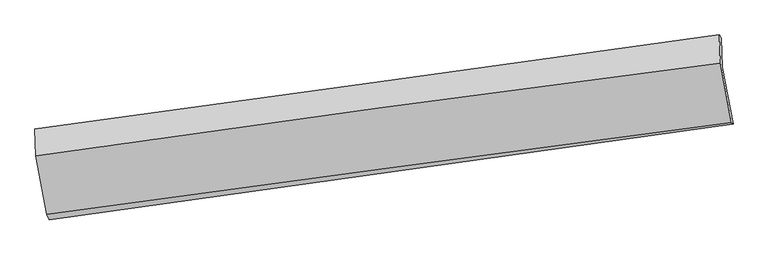
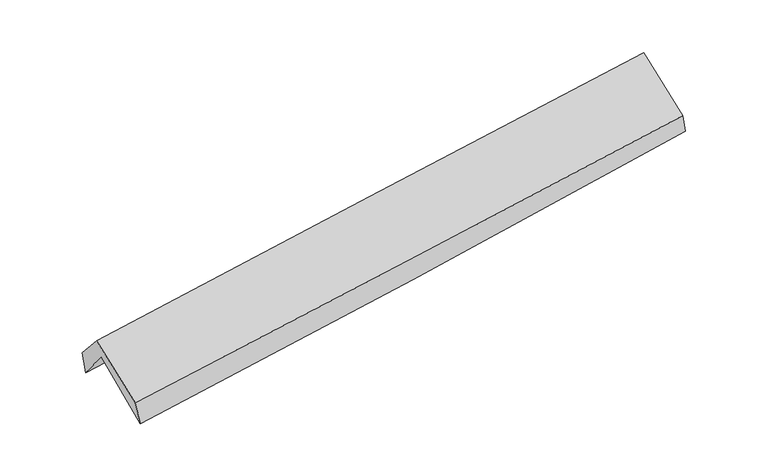
"""IFC4 building model written with IfcOpenShell, lengths in millimetres: proxy geometry."""

import ifcopenshell
import ifcopenshell.guid

model = None  # the IFC model being written
_history = None  # IfcOwnerHistory: only IFC2X3 demands one
_inside = {}  # id of a spatial element -> (the spatial element, [elements in it])
_under = {}  # id of a project, library or spatial element -> (it, [spatial elements below it])
_declared = {}  # id of a project -> (the project, [libraries it declares])
_typed = {}  # id of a type object -> (the type object, [elements of that type])
_made_of = {}  # id of a material, layer set ... -> (it, [elements and type objects made of it])


def new_model(schema):
    """Start an empty IFC model of exactly this schema.

    Asked for "IFC4X3", IfcOpenShell would pick the latest addendum, in which some entities
    have other attributes; the version numbers below select the first issue.
    IFC2X3 requires an IfcOwnerHistory on every rooted entity: one is made here for all.
    """
    global model, _history
    if schema == "IFC4X3":
        model = ifcopenshell.file(schema_version=(4, 3, 0, 0))
    else:
        model = ifcopenshell.file(schema=schema)
    _inside.clear()
    _under.clear()
    _declared.clear()
    _typed.clear()
    _made_of.clear()
    _history = None
    if model.schema == "IFC2X3":
        org = make("IfcOrganization", Name="unknown")
        user = make(
            "IfcPersonAndOrganization",
            ThePerson=make("IfcPerson", FamilyName="unknown"),
            TheOrganization=org,
        )
        app = make(
            "IfcApplication",
            ApplicationDeveloper=org,
            Version="unknown",
            ApplicationFullName="unknown",
            ApplicationIdentifier="unknown",
        )
        _history = make(
            "IfcOwnerHistory",
            OwningUser=user,
            OwningApplication=app,
            ChangeAction="ADDED",
            CreationDate=0,
        )
    return model


def make(cls, **values):
    """One entity of the class cls with the attributes given. An attribute that is None is left unset."""
    return model.create_entity(
        cls, **{name: value for name, value in values.items() if value is not None}
    )


def rooted(cls, **values):
    """An entity with a GlobalId (a new one), such as an element, a storey or a relation."""
    return make(cls, GlobalId=ifcopenshell.guid.new(), OwnerHistory=_history, **values)


def si_unit(unit_type, name, prefix=None):
    """IfcSIUnit, for example si_unit("LENGTHUNIT", "METRE", prefix="MILLI")."""
    return make("IfcSIUnit", UnitType=unit_type, Prefix=prefix, Name=name)


def assignment(units):
    """IfcUnitAssignment: the units of a project."""
    return None if units is None else make("IfcUnitAssignment", Units=units)


def point(xyz):
    """IfcCartesianPoint."""
    return None if xyz is None else make("IfcCartesianPoint", Coordinates=xyz)


def direction(xyz):
    """IfcDirection."""
    return None if xyz is None else make("IfcDirection", DirectionRatios=xyz)


def frame(location, z_axis=None, x_axis=None):
    """IfcAxis2Placement3D, a coordinate frame: its origin and axes. An axis left out is left unset."""
    return make(
        "IfcAxis2Placement3D",
        Location=point(location),
        Axis=direction(z_axis),
        RefDirection=direction(x_axis),
    )


def origin():
    """The frame at (0, 0, 0) with its axes left unset."""
    return frame((0.0, 0.0, 0.0))


def place(relative_to, where):
    """IfcLocalPlacement: puts the frame where relative to a parent placement (None: the world)."""
    return make(
        "IfcLocalPlacement", PlacementRelTo=relative_to, RelativePlacement=where
    )


def context(
    kind, dimensions, precision=None, world=None, true_north=None, identifier=None
):
    """IfcGeometricRepresentationContext, for example the 3D "Model" context."""
    return make(
        "IfcGeometricRepresentationContext",
        ContextIdentifier=identifier,
        ContextType=kind,
        CoordinateSpaceDimension=dimensions,
        Precision=precision,
        WorldCoordinateSystem=world,
        TrueNorth=true_north,
    )


def project(units=None, contexts=None):
    """IfcProject with its units and contexts."""
    return rooted(
        "IfcProject",
        Name="project",
        RepresentationContexts=contexts,
        UnitsInContext=assignment(units),
    )


def spatial(cls, under=None, at=None, **own):
    """A site, building, storey or space (cls), placed at a placement, below another one or the project."""
    s = rooted(cls, ObjectPlacement=at, **own)
    if under is not None:
        _under.setdefault(under.id(), (under, []))[1].append(s)
    return s


def shape(context_of_items, identifier, shape_type, items):
    """IfcShapeRepresentation: the items that make up one representation, for example the "Body"."""
    return make(
        "IfcShapeRepresentation",
        ContextOfItems=context_of_items,
        RepresentationIdentifier=identifier,
        RepresentationType=shape_type,
        Items=items,
    )


def source(mapping_origin, context_of_items, identifier, shape_type, items):
    """IfcRepresentationMap: a shape defined once, which mapped items show again and again."""
    return make(
        "IfcRepresentationMap",
        MappingOrigin=mapping_origin,
        MappedRepresentation=shape(context_of_items, identifier, shape_type, items),
    )


def transform(
    local_origin,
    x_axis=None,
    y_axis=None,
    z_axis=None,
    scale=None,
    scale2=None,
    scale3=None,
    uniform=True,
):
    """IfcCartesianTransformationOperator3D, or its non-uniform kind. x_axis, y_axis, z_axis: its Axis1, 2, 3."""
    if uniform:
        return make(
            "IfcCartesianTransformationOperator3D",
            Axis1=direction(x_axis),
            Axis2=direction(y_axis),
            LocalOrigin=point(local_origin),
            Scale=scale,
            Axis3=direction(z_axis),
        )
    return make(
        "IfcCartesianTransformationOperator3DnonUniform",
        Axis1=direction(x_axis),
        Axis2=direction(y_axis),
        LocalOrigin=point(local_origin),
        Scale=scale,
        Axis3=direction(z_axis),
        Scale2=scale2,
        Scale3=scale3,
    )


def mapped(mapping_source, mapping_target):
    """IfcMappedItem: shows the shape of a source again, moved by a transform."""
    return make(
        "IfcMappedItem", MappingSource=mapping_source, MappingTarget=mapping_target
    )


def made_of(thing, what):
    """Note that an element or type object is made of a material, layer set ...; save() writes the relation."""
    if what is not None:
        _made_of.setdefault(what.id(), (what, []))[1].append(thing)
    return thing


def element(
    cls,
    number,
    at=None,
    inside=None,
    cuts=None,
    type_object=None,
    material=None,
    context=None,
    identifier="Body",
    shape_type=None,
    held_by="IfcProductDefinitionShape",
    body=None,
    shapes=None,
    **own,
):
    """One element of the class cls, such as IfcWall. Its Tag is "e" and its number.

    at: its placement. inside: the storey or other place that contains it. cuts: it is an
    opening in that element (IfcRelVoidsElement). A single representation is given by context,
    identifier, shape_type and body (its items); several are given by shapes. held_by: the class
    of the entity that holds the representations. save() writes the other relations.
    """
    e = rooted(cls, Tag="e%d" % number, ObjectPlacement=at, **own)
    if body is not None:
        shapes = [shape(context, identifier, shape_type, body)]
    if shapes is not None:
        e.Representation = make(held_by, Representations=shapes)
    if inside is not None:
        _inside.setdefault(inside.id(), (inside, []))[1].append(e)
    if cuts is not None:
        rooted(
            "IfcRelVoidsElement", RelatingBuildingElement=cuts, RelatedOpeningElement=e
        )
    if type_object is not None:
        _typed.setdefault(type_object.id(), (type_object, []))[1].append(e)
    return made_of(e, material)


def aggregate(whole, parts):
    """IfcRelAggregates: a whole, such as a stair, and the parts it consists of."""
    return rooted("IfcRelAggregates", RelatingObject=whole, RelatedObjects=parts)


def save(model, path):
    """Write the relations noted so far, then the file.

    IfcRelAggregates (storeys below a building ...), IfcRelContainedInSpatialStructure (elements
    in a storey), IfcRelDefinesByType, IfcRelAssociatesMaterial and IfcRelDeclares: one each for
    every whole, place, type object, material and project.
    """
    for whole, parts in _under.values():
        aggregate(whole, parts)
    for where, things in _inside.values():
        rooted(
            "IfcRelContainedInSpatialStructure",
            RelatedElements=things,
            RelatingStructure=where,
        )
    for kind, things in _typed.values():
        rooted("IfcRelDefinesByType", RelatedObjects=things, RelatingType=kind)
    for what, things in _made_of.values():
        rooted("IfcRelAssociatesMaterial", RelatedObjects=things, RelatingMaterial=what)
    for by, libraries in _declared.values():
        rooted("IfcRelDeclares", RelatingContext=by, RelatedDefinitions=libraries)
    model.write(path)


def plane_surface(at):
    """IfcPlane: the flat surface through the origin of the frame at, square to its z axis."""
    return make("IfcPlane", Position=at)


def spline_curve(degree, points, multiplicities, knots, weights=None):
    """IfcBSplineCurveWithKnots; with weights, IfcRationalBSplineCurveWithKnots."""
    own = dict(
        Degree=degree,
        ControlPointsList=[point(p) for p in points],
        CurveForm="UNSPECIFIED",
        ClosedCurve=False,
        SelfIntersect=False,
        KnotMultiplicities=multiplicities,
        Knots=knots,
        KnotSpec="UNSPECIFIED",
    )
    if weights is None:
        return make("IfcBSplineCurveWithKnots", **own)
    return make("IfcRationalBSplineCurveWithKnots", WeightsData=weights, **own)


def spline_surface(u_degree, v_degree, points, u_multiplicities, v_multiplicities, u_knots, v_knots, weights=None):
    """IfcBSplineSurfaceWithKnots; with weights, IfcRationalBSplineSurfaceWithKnots. points: one row for each step in u."""
    own = dict(
        UDegree=u_degree,
        VDegree=v_degree,
        ControlPointsList=[[point(p) for p in row] for row in points],
        SurfaceForm="UNSPECIFIED",
        UClosed=False,
        VClosed=False,
        SelfIntersect=False,
        UMultiplicities=u_multiplicities,
        VMultiplicities=v_multiplicities,
        UKnots=u_knots,
        VKnots=v_knots,
        KnotSpec="UNSPECIFIED",
    )
    if weights is None:
        return make("IfcBSplineSurfaceWithKnots", **own)
    return make("IfcRationalBSplineSurfaceWithKnots", WeightsData=weights, **own)


def advanced_brep(points, edges, surfaces, faces):
    """IfcAdvancedBrep: a solid bounded by faces that lie on surfaces and meet in shared edges.

    An edge is (start, end): straight between two places in points (the first is 0);
    or (start, end, curve); or (start, end, curve, False) where it runs against its curve.
    A face is (place in surfaces, loops), or (place, loops, False) where it looks against
    its surface's normal. A loop lists edges by number (the first is 1), with a minus sign
    where the edge is run from its end to its start. The first loop is the outer one.
    """
    corners = [point(p) for p in points]
    vertices = [make("IfcVertexPoint", VertexGeometry=c) for c in corners]
    made = []
    for start, end, *more in edges:
        made.append(
            make(
                "IfcEdgeCurve",
                EdgeStart=vertices[start],
                EdgeEnd=vertices[end],
                EdgeGeometry=more[0] if more else make("IfcPolyline", Points=[corners[start], corners[end]]),
                SameSense=more[1] if len(more) > 1 else True,
            )
        )
    hull = []
    for where, loops, *sense in faces:
        bounds = []
        for j, loop in enumerate(loops):
            ring = [make("IfcOrientedEdge", EdgeElement=made[abs(k) - 1], Orientation=k > 0) for k in loop]
            bounds.append(
                make(
                    "IfcFaceOuterBound" if j == 0 else "IfcFaceBound",
                    Bound=make("IfcEdgeLoop", EdgeList=ring),
                    Orientation=True,
                )
            )
        hull.append(make("IfcAdvancedFace", Bounds=bounds, FaceSurface=surfaces[where], SameSense=sense[0] if sense else True))
    return make("IfcAdvancedBrep", Outer=make("IfcClosedShell", CfsFaces=hull))


def generic_models_57a70adb(model_context):
    return source(origin(), model_context, "Body", "AdvancedBrep", [
        advanced_brep(
        [(-2913.9110386, -2507.5975419, 1446.8197097), (-3012.9158578, -1997.8766252, 1887.9286264), (2955.3936123, -1171.8832452, 2377.3629776), (3051.0246852, -1673.2161547, 1966.0962998), (-3020.0785164, -1747.2877989, 1567.4252561), (2947.7354121, -920.7185329, 2062.3249059), (-3039.538809, -1713.3930516, 1763.45191), (2930.8056873, -891.7696591, 2233.7483869), (-3030.1660252, -1950.6184511, 2033.3079163), (2940.4965178, -1138.4965946, 2515.1554117), (-2935.8532495, -2459.3776916, 1651.3532023), (3036.6870145, -1657.3849812, 2125.5961672)],
        [
            (0, 1),
            (1, 2, spline_curve(3, [(-3012.9158578, -1997.8766252, 1887.9286264), (-2018.08489082, -1855.577900179, 1960.622050026), (-1023.318598711, -1715.596867874, 2037.754201499), (966.117895612, -1440.26558653, 2200.898688274), (1960.78809358, -1304.915491818, 2286.911320425), (2955.3936123, -1171.8832452, 2377.3629776)], [4, 2, 4], [0.0, 9.916710732165134, 19.8337530599837])),
            (2, 3),
            (3, 0, spline_curve(3, [(3051.0246852, -1673.2161547, 1966.0962998), (2058.106049099, -1810.442428267, 1860.723440244), (1064.560433057, -1948.58852521, 1764.763395071), (-923.751516557, -2226.715715849, 1591.671827604), (-1918.517808666, -2366.696748154, 1514.539676132), (-2913.9110386, -2507.5975419, 1446.8197097)], [4, 2, 4], [0.0, 9.917042327818566, 19.8337530599837])),
            (1, 4),
            (4, 5, spline_curve(3, [(-3020.0785164, -1747.2877989, 1567.4252561), (-2024.132163418, -1612.283475176, 1637.708270814), (-1028.849463224, -1475.901715932, 1714.090623892), (960.421890964, -1200.378719467, 1879.056766137), (1954.410499902, -1061.237389985, 1967.640962559), (2947.7354121, -920.7185329, 2062.3249059)], [4, 2, 4], [0.0, 9.916430432921839, 19.833192452124443])),
            (5, 2),
            (4, 6),
            (6, 7, spline_curve(3, [(-3039.538809, -1713.3930516, 1763.45191), (-2044.717277503, -1577.824546345, 1847.365754369), (-1049.786123445, -1441.572833531, 1928.513440678), (940.328701487, -1167.698415229, 2085.279118049), (1935.512379592, -1030.075663453, 2160.896923996), (2930.8056873, -891.7696591, 2233.7483869)], [4, 2, 4], [0.0, 9.916184139597396, 19.832699857239987])),
            (7, 5),
            (6, 8),
            (8, 9, spline_curve(3, [(-3030.1660252, -1950.6184511, 2033.3079163), (-2035.727217158, -1806.007921533, 2107.265752381), (-1040.960925413, -1666.026889485, 2184.397903807), (949.259900627, -1395.319294222, 2345.013523486), (1944.714456085, -1264.593040972, 2428.497203605), (2940.4965178, -1138.4965946, 2515.1554117)], [4, 2, 4], [0.0, 9.916034643628894, 19.832400860304126])),
            (9, 7),
            (8, 10),
            (10, 11, spline_curve(3, [(-2935.8532495, -2459.3776916, 1651.3532023), (-1939.916852507, -2322.845729857, 1719.245994575), (-944.245282224, -2187.748116694, 1792.711883723), (1046.601490103, -1920.417117264, 1950.792499188), (2041.776674396, -1788.183827105, 2035.407598448), (3036.6870145, -1657.3849812, 2125.5961672)], [4, 2, 4], [0.0, 9.916046609458064, 19.83242479236258])),
            (11, 9),
            (10, 0),
            (3, 11),
        ],
        [
            spline_surface(3, 3, [[(-2913.9110386, -2507.5975419, 1446.8197097), (-1918.517808637, -2366.696748006, 1514.539676143), (-923.75151669, -2226.715715815, 1591.671827717), (1064.56043319, -1948.588525244, 1764.763394958), (2058.106049139, -1810.442428354, 1860.72344008), (3051.0246852, -1673.2161547, 1966.0962998)], [(-2946.912644978, -2337.690569666, 1593.856015248), (-1951.70683596, -2196.323798742, 1663.233800701), (-956.940544013, -2056.342766552, 1740.365952275), (1031.746254024, -1779.147545621, 1910.141826061), (2025.666730663, -1641.933449533, 2002.786066858), (3019.147660894, -1506.105184874, 2103.185192372)], [(-2979.914251422, -2167.783597434, 1740.892320852), (-1984.895863348, -2025.950849482, 1811.927925316), (-990.129571401, -1885.969817291, 1889.06007689), (998.932074791, -1609.706566, 2055.520257221), (1993.227412206, -1473.424470689, 2144.84869372), (2987.270636606, -1338.994215026, 2240.274085028)], [(-3012.9158578, -1997.8766252, 1887.9286264), (-2018.084890671, -1855.577900218, 1960.622049874), (-1023.318598724, -1715.596868028, 2037.754201448), (966.117895625, -1440.265586376, 2200.898688324), (1960.788093731, -1304.915491868, 2286.911320498), (2955.3936123, -1171.8832452, 2377.3629776)]], [4, 4], [4, 2, 4], [0.0, 2.2352951051551146], [0.0, 9.916710732165134, 19.8337530599837]),
            spline_surface(3, 3, [[(-3012.9158578, -1997.8766252, 1887.9286264), (-2018.084890671, -1855.577900218, 1960.622049874), (-1023.318598724, -1715.596868028, 2037.754201448), (966.117895625, -1440.265586376, 2200.898688324), (1960.788093731, -1304.915491868, 2286.911320498), (2955.3936123, -1171.8832452, 2377.3629776)], [(-3015.303410689, -1914.347016447, 1781.094169652), (-2020.100648283, -1774.479758594, 1852.984123505), (-1025.162220173, -1635.698483993, 1929.866342324), (964.219227352, -1360.303297375, 2093.618047578), (1958.662229119, -1223.689457937, 2180.487867902), (2952.840878882, -1088.161674426, 2272.350287042)], [(-3017.690963511, -1830.817407653, 1674.259712848), (-2022.116405827, -1693.38161693, 1745.346197078), (-1027.00584162, -1555.80010001, 1821.978483134), (962.320559082, -1280.341008425, 1986.337406765), (1956.536364561, -1142.463424027, 2074.064415282), (2950.288145518, -1004.440103674, 2167.337596458)], [(-3020.0785164, -1747.2877989, 1567.4252561), (-2024.132163439, -1612.283475305, 1637.708270709), (-1028.849463069, -1475.901715975, 1714.09062401), (960.421890809, -1200.378719423, 1879.056766018), (1954.410499949, -1061.237390096, 1967.640962686), (2947.7354121, -920.7185329, 2062.3249059)]], [4, 4], [4, 2, 4], [0.0, 1.3192915993700474], [0.0, 9.916430432921839, 19.833192452124443]),
            spline_surface(3, 3, [[(-3020.0785164, -1747.2877989, 1567.4252561), (-2024.132163439, -1612.283475305, 1637.708270709), (-1028.849463069, -1475.901715975, 1714.09062401), (960.421890809, -1200.378719423, 1879.056766018), (1954.410499949, -1061.237390096, 1967.640962686), (2947.7354121, -920.7185329, 2062.3249059)], [(-3026.565280598, -1735.989549796, 1632.767474052), (-2030.993868075, -1600.797165603, 1707.594098586), (-1035.828349856, -1464.458755183, 1785.564896217), (953.72416099, -1189.485284658, 1947.797549991), (1948.111126488, -1050.850147922, 2032.059616463), (2942.092170521, -911.068908302, 2119.466066251)], [(-3033.052044802, -1724.691300704, 1698.109692048), (-2037.855572716, -1589.310855913, 1777.479926508), (-1042.807236583, -1453.015794409, 1857.039168503), (947.026431231, -1178.591849909, 2016.538334044), (1941.811752965, -1040.46290574, 2096.478270186), (2936.448928879, -901.419283698, 2176.607226549)], [(-3039.538809, -1713.3930516, 1763.45191), (-2044.717277351, -1577.82454621, 1847.365754385), (-1049.78612337, -1441.572833617, 1928.51344071), (940.328701412, -1167.698415144, 2085.279118017), (1935.512379504, -1030.075663566, 2160.896923963), (2930.8056873, -891.7696591, 2233.7483869)]], [4, 4], [4, 2, 4], [0.0, 0.7019690227785134], [0.0, 9.916184139597396, 19.832699857239987]),
            spline_surface(3, 3, [[(-3039.538809, -1713.3930516, 1763.45191), (-2044.717277351, -1577.82454621, 1847.365754385), (-1049.78612337, -1441.572833617, 1928.51344071), (940.328701412, -1167.698415144, 2085.279118017), (1935.512379504, -1030.075663566, 2160.896923963), (2930.8056873, -891.7696591, 2233.7483869)], [(-3036.414547735, -1792.468184765, 1853.403912116), (-2041.720590641, -1653.885671302, 1933.999087047), (-1046.844390672, -1516.390852208, 2013.808261797), (943.305767769, -1243.572041529, 2171.857253167), (1938.579738386, -1108.248122679, 2250.097017176), (2934.035964109, -974.011970946, 2327.550728483)], [(-3033.290286465, -1871.543317935, 1943.355914184), (-2038.723903928, -1729.946796398, 2020.632419663), (-1043.90265797, -1591.208870808, 2099.103082813), (946.282834129, -1319.445667922, 2258.435388243), (1941.647097341, -1186.420581752, 2339.297110441), (2937.266240991, -1056.254282754, 2421.353070117)], [(-3030.1660252, -1950.6184511, 2033.3079163), (-2035.727217218, -1806.007921489, 2107.265752326), (-1040.960925271, -1666.026889399, 2184.3979039), (949.259900485, -1395.319294307, 2345.013523393), (1944.714456223, -1264.593040865, 2428.497203655), (2940.4965178, -1138.4965946, 2515.1554117)]], [4, 4], [4, 2, 4], [0.0, 1.125273182196813], [0.0, 9.916034643628894, 19.832400860304126]),
            spline_surface(3, 3, [[(-3030.1660252, -1950.6184511, 2033.3079163), (-2035.727217218, -1806.007921489, 2107.265752326), (-1040.960925271, -1666.026889399, 2184.3979039), (949.259900485, -1395.319294307, 2345.013523393), (1944.714456223, -1264.593040865, 2428.497203655), (2940.4965178, -1138.4965946, 2515.1554117)], [(-2998.728433286, -2120.204864595, 1905.98967829), (-2003.790429018, -1978.287190976, 1977.925833021), (-1008.722377584, -1839.933965154, 2053.835897155), (981.707097038, -1570.35190197, 2213.606515351), (1977.068528951, -1439.12330294, 2297.46733523), (2972.560016699, -1311.459390136, 2385.302330223)], [(-2967.290841414, -2289.791278105, 1778.67144031), (-1971.853640859, -2150.566460478, 1848.585913746), (-976.483829925, -2013.841040908, 1923.2738904), (1014.154293563, -1745.384509633, 2082.199507298), (2009.422601681, -1613.653565006, 2166.437466737), (3004.623515601, -1484.422185664, 2255.449248677)], [(-2935.8532495, -2459.3776916, 1651.3532023), (-1939.91685266, -2322.845729964, 1719.245994441), (-944.245282237, -2187.748116663, 1792.711883655), (1046.601490116, -1920.417117296, 1950.792499256), (2041.776674408, -1788.183827081, 2035.407598313), (3036.6870145, -1657.3849812, 2125.5961672)]], [4, 4], [4, 2, 4], [0.0, 2.170777449970523], [0.0, 9.916046609458064, 19.83242479236258]),
            spline_surface(3, 3, [[(-2935.8532495, -2459.3776916, 1651.3532023), (-1939.91685266, -2322.845729964, 1719.245994441), (-944.245282237, -2187.748116663, 1792.711883655), (1046.601490116, -1920.417117296, 1950.792499256), (2041.776674408, -1788.183827081, 2035.407598313), (3036.6870145, -1657.3849812, 2125.5961672)], [(-2928.539179213, -2475.450975032, 1583.175371443), (-1932.783837999, -2337.462735977, 1651.010555018), (-937.414027064, -2200.737316407, 1725.698531672), (1052.587804465, -1929.807586638, 1888.782797819), (2047.219799348, -1795.60336082, 1977.179545565), (3041.466238096, -1662.662039014, 2072.42954473)], [(-2921.225108887, -2491.524258468, 1514.997540557), (-1925.650823298, -2352.079741994, 1582.775115566), (-930.582771864, -2213.726516071, 1658.685179701), (1058.574118841, -1939.198055902, 1826.773096395), (2052.662924199, -1803.022894616, 1918.951492828), (3046.245461604, -1667.939096886, 2019.26292227)], [(-2913.9110386, -2507.5975419, 1446.8197097), (-1918.517808637, -2366.696748006, 1514.539676143), (-923.75151669, -2226.715715815, 1591.671827717), (1064.56043319, -1948.588525244, 1764.763394958), (2058.106049139, -1810.442428354, 1860.72344008), (3051.0246852, -1673.2161547, 1966.0962998)]], [4, 4], [4, 2, 4], [0.0, 0.6475158499777491], [0.0, 9.916454949150348, 19.83324148540124]),
            plane_surface(frame((2977.0238215, -1242.2448613, 2213.3806915), z_axis=(0.9890844540478032, 0.12599307706829874, 0.0764047596149674), x_axis=(0.14664579726920032, -0.791063605664444, -0.593896777172978))),
            plane_surface(frame((-2992.0772494, -2062.69186, 1725.0477701), z_axis=(-0.9890844540482638, -0.12599307705967167, -0.07640475962323072), x_axis=(-0.10385216315134421, 0.2282238463563052, 0.9680540295681437))),
        ],
        [
            (0, [[1, 2, 3, 4]]),
            (1, [[5, 6, 7, -2]]),
            (2, [[8, 9, 10, -6]]),
            (3, [[11, 12, 13, -9]]),
            (4, [[14, 15, 16, -12]]),
            (5, [[17, -4, 18, -15]]),
            (6, [[-16, -18, -3, -7, -10, -13]]),
            (7, [[-17, -14, -11, -8, -5, -1]]),
        ],
    ),
    ])


if __name__ == "__main__":
    model = new_model("IFC4")
    model_context = context("Model", 3, world=origin())
    ifc_project = project(units=[si_unit("LENGTHUNIT", "METRE", prefix="MILLI")], contexts=[model_context])
    site = spatial("IfcSite", under=ifc_project)
    building = spatial("IfcBuilding", under=site)
    placement = place(None, origin())
    generic_models_shape = generic_models_57a70adb(model_context)
    element("IfcBuildingElementProxy", 1, Name="Generic Models", at=placement, inside=building, context=model_context, shape_type="MappedRepresentation", body=[
        mapped(generic_models_shape, transform((0.0, 0.0, 0.0), x_axis=(1.0, 0.0, 0.0), y_axis=(0.0, 1.0, 0.0), z_axis=(0.0, 0.0, 1.0))),
    ])
    save(model, "model.ifc")
